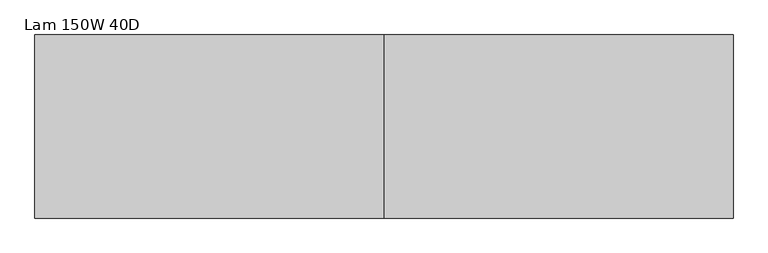
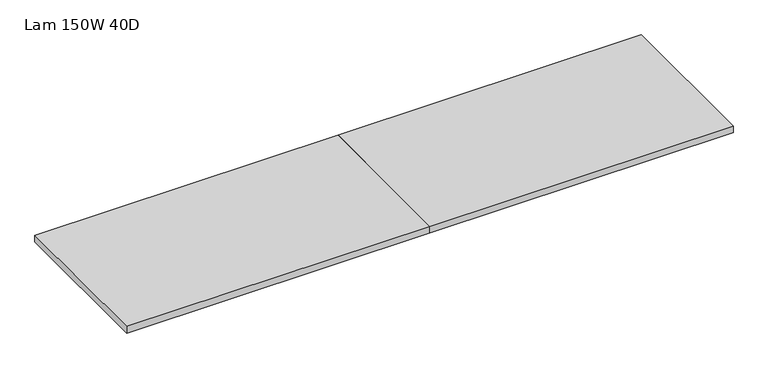
"""IFC4 building model written with IfcOpenShell, lengths in millimetres: furniture geometry, Lam 150W 40D."""

from ifc_helpers import new_model, si_unit, frame, origin, place, context, project, spatial, polyline, outline, extrude, source, transform, mapped, element, save


def lam_150w_40d_f34b73e5(model_context):
    return source(origin(), model_context, "Body", "SweptSolid", [
        extrude(outline(polyline([(3900.17, 508.0), (3900.17, -508.0), (1963.42, -508.0), (1963.42, 508.0), (3900.17, 508.0)])), frame((0.0, 0.0, 1057.275), z_axis=(0.0, 0.0, 1.0), x_axis=(1.0, 0.0, 0.0)), (0.0, 0.0, 1.0), 44.704),
        extrude(outline(polyline([(1963.42, 508.0), (1963.42, -508.0), (26.67, -508.0), (26.67, 508.0), (1963.42, 508.0)])), frame((0.0, 0.0, 1057.275), z_axis=(0.0, 0.0, 1.0), x_axis=(1.0, 0.0, 0.0)), (0.0, 0.0, 1.0), 44.704),
    ])


if __name__ == "__main__":
    model = new_model("IFC4")
    model_context = context("Model", 3, world=origin())
    ifc_project = project(units=[si_unit("LENGTHUNIT", "METRE", prefix="MILLI")], contexts=[model_context])
    site = spatial("IfcSite", under=ifc_project)
    building = spatial("IfcBuilding", under=site)
    placement = place(None, origin())
    lam_150w_40d_shape = lam_150w_40d_f34b73e5(model_context)
    element("IfcFurniture", 1, ObjectType="Lam 150W 40D", at=placement, inside=building, context=model_context, shape_type="MappedRepresentation", body=[
        mapped(lam_150w_40d_shape, transform((0.0, 0.0, 0.0), x_axis=(1.0, 0.0, 0.0), y_axis=(0.0, 1.0, 0.0), z_axis=(0.0, 0.0, 1.0))),
    ])
    save(model, "model.ifc")
